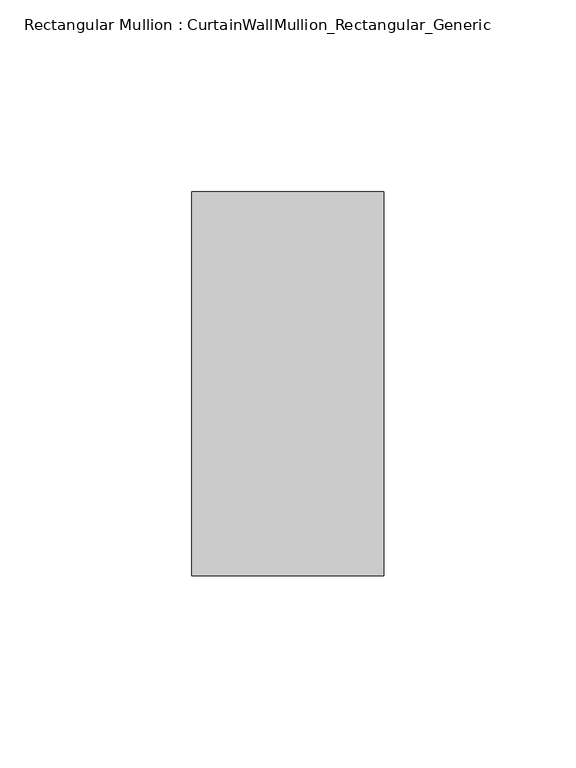
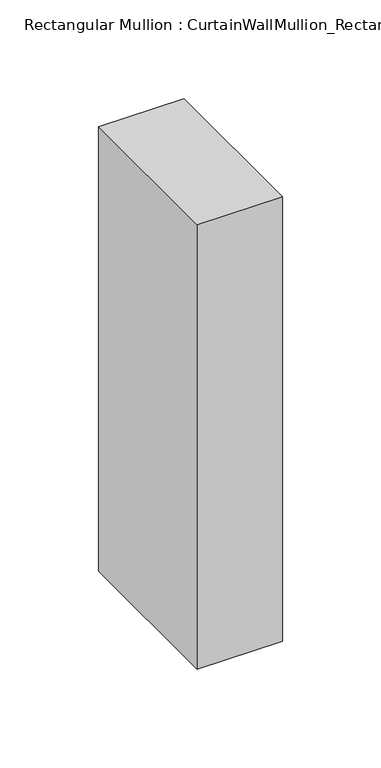
"""IFC4 building model written with IfcOpenShell, lengths in millimetres: member geometry, Rectangular Mullion : CurtainWallMullion_Rectangular_Generic."""

from ifc_helpers import new_model, si_unit, frame, origin, place, context, project, spatial, polyline, outline, extrude, source, transform, mapped, element, save


def rectangular_mullion_curtainwallmullion_rectangular_generic_3afa64bf(model_context):
    return source(origin(), model_context, "Body", "SweptSolid", [
        extrude(outline(polyline([(25.0, 50.0), (25.0, -50.0), (-25.0, -50.0), (-25.0, 50.0), (25.0, 50.0)])), frame((0.0, 0.0, -275.0), z_axis=(0.0, 0.0, 1.0), x_axis=(1.0, 0.0, 0.0)), (0.0, 0.0, 1.0), 275.0),
    ])


if __name__ == "__main__":
    model = new_model("IFC4")
    model_context = context("Model", 3, world=origin())
    ifc_project = project(units=[si_unit("LENGTHUNIT", "METRE", prefix="MILLI")], contexts=[model_context])
    site = spatial("IfcSite", under=ifc_project)
    building = spatial("IfcBuilding", under=site)
    placement = place(None, origin())
    rectangular_mullion_curtainwallmullion_rectangular_generic_shape = rectangular_mullion_curtainwallmullion_rectangular_generic_3afa64bf(model_context)
    element("IfcMember", 1, ObjectType="Rectangular Mullion : CurtainWallMullion_Rectangular_Generic", at=placement, inside=building, context=model_context, shape_type="MappedRepresentation", body=[
        mapped(rectangular_mullion_curtainwallmullion_rectangular_generic_shape, transform((0.0, 0.0, 0.0), x_axis=(1.0, 0.0, 0.0), y_axis=(0.0, 1.0, 0.0), z_axis=(0.0, 0.0, 1.0))),
    ])
    save(model, "model.ifc")
